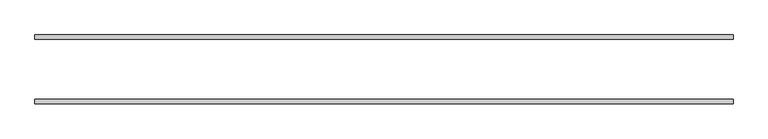
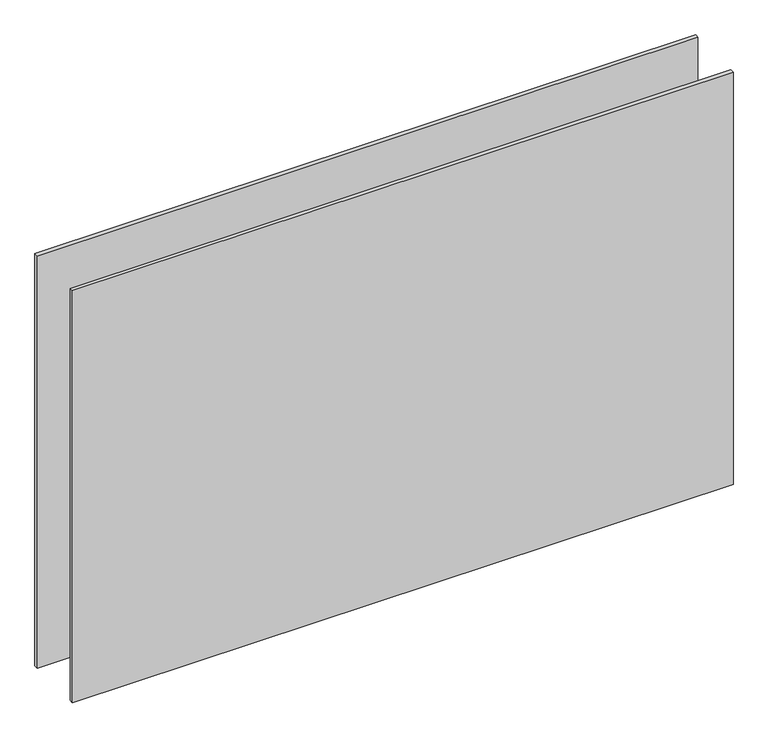
"""IFC4 building model written with IfcOpenShell, lengths in millimetres: plate geometry."""

from ifc_helpers import new_model, si_unit, origin, origin_with_axes, place, context, project, spatial, polyline, outline, extrude, source, transform, mapped, element, save


def plate_d45d80f5(model_context):
    return source(origin(), model_context, "Body", "SweptSolid", [
        extrude(outline(polyline([(-625.0, -61.5), (-625.0, -53.5), (625.0, -53.5), (625.0, -61.5), (-625.0, -61.5)])), origin_with_axes(), (0.0, 0.0, 1.0), 825.0),
        extrude(outline(polyline([(625.0, 53.5), (-625.0, 53.5), (-625.0, 61.5), (625.0, 61.5), (625.0, 53.5)])), origin_with_axes(), (0.0, 0.0, 1.0), 825.0),
    ])


if __name__ == "__main__":
    model = new_model("IFC4")
    model_context = context("Model", 3, world=origin())
    ifc_project = project(units=[si_unit("LENGTHUNIT", "METRE", prefix="MILLI")], contexts=[model_context])
    site = spatial("IfcSite", under=ifc_project)
    building = spatial("IfcBuilding", under=site)
    placement = place(None, origin())
    plate_shape = plate_d45d80f5(model_context)
    element("IfcPlate", 1, at=placement, inside=building, context=model_context, shape_type="MappedRepresentation", body=[
        mapped(plate_shape, transform((0.0, 0.0, 0.0), x_axis=(1.0, 0.0, 0.0), y_axis=(0.0, 1.0, 0.0), z_axis=(0.0, 0.0, 1.0))),
    ])
    save(model, "model.ifc")
